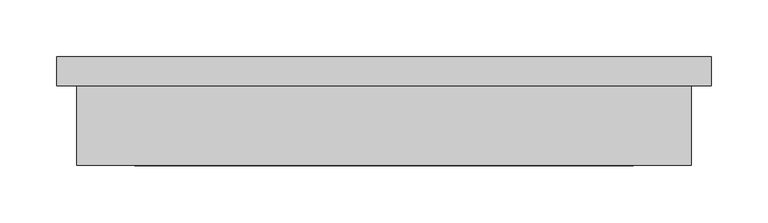
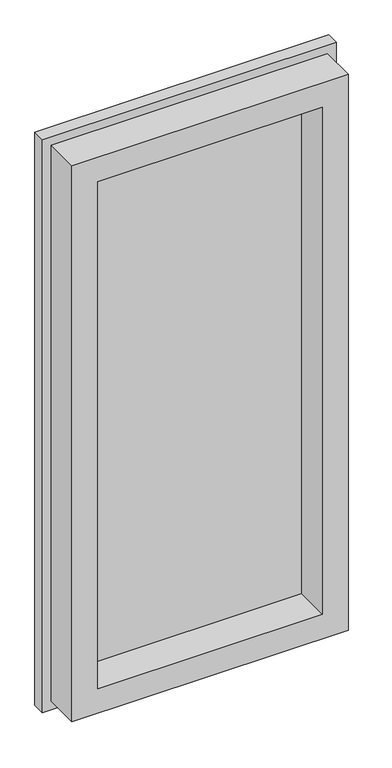
"""IFC4 building model written with IfcOpenShell, lengths in millimetres: plate geometry."""

from ifc_helpers import new_model, si_unit, frame, origin, place, context, project, spatial, polyline, outline, extrude, faceted_brep, source, transform, mapped, element, save


def plate_aad55b27(model_context):
    return source(origin(), model_context, "Body", "SolidModel", [
        faceted_brep([(-287.3375001, -44.9460938, 1169.9875), (-287.3375001, -19.5460938, 1169.9875), (-287.3375001, -19.5460938, -14.2875), (-287.3375001, -44.9460938, -14.2875), (-269.8750001, -114.8087938, 1152.525), (-269.8750001, -44.9460938, 1152.525), (-269.8750001, -44.9460938, 3.175), (-269.8750001, -114.8087938, 3.175), (-219.0940501, -44.9460937, 1101.74405), (-219.0940501, -114.8087938, 1101.74405), (-219.0940501, -114.8087938, 53.95595), (-219.0940501, -44.9460937, 53.95595), (-247.6690501, -19.5460938, 1130.31905), (-247.6690501, -44.9460937, 1130.31905), (-247.6690501, -44.9460937, 25.38095), (-247.6690501, -19.5460938, 25.38095), (287.3375001, -19.5460938, -14.2875), (287.3375001, -44.9460938, -14.2875), (269.8750001, -44.9460938, 3.175), (269.8750001, -114.8087938, 3.175), (219.0940501, -114.8087938, 53.95595), (219.0940501, -44.9460937, 53.95595), (247.6690501, -44.9460937, 25.38095), (247.6690501, -19.5460938, 25.38095), (287.3375001, -19.5460938, 1169.9875), (287.3375001, -44.9460938, 1169.9875), (269.8750001, -44.9460938, 1152.525), (269.8750001, -114.8087938, 1152.525), (219.0940501, -114.8087938, 1101.74405), (219.0940501, -44.9460937, 1101.74405), (247.6690501, -44.9460937, 1130.31905), (247.6690501, -19.5460938, 1130.31905)], [[[0, 1, 2, 3]], [[4, 5, 6, 7]], [[8, 9, 10, 11]], [[12, 13, 14, 15]], [[3, 2, 16, 17]], [[7, 6, 18, 19]], [[11, 10, 20, 21]], [[15, 14, 22, 23]], [[17, 16, 24, 25]], [[19, 18, 26, 27]], [[21, 20, 28, 29]], [[23, 22, 30, 31]], [[1, 24, 16, 2], [15, 23, 31, 12]], [[25, 24, 1, 0]], [[3, 17, 25, 0], [5, 26, 18, 6]], [[27, 26, 5, 4]], [[7, 19, 27, 4], [9, 28, 20, 10]], [[29, 28, 9, 8]], [[13, 30, 22, 14], [11, 21, 29, 8]], [[31, 30, 13, 12]]]),
        extrude(outline(polyline([(247.6690501, -19.5460937), (247.6690501, -44.9460937), (-247.6690501, -44.9460937), (-247.6690501, -19.5460937), (247.6690501, -19.5460937)])), frame((0.0, 0.0, 25.38095), z_axis=(0.0, 0.0, 1.0), x_axis=(1.0, 0.0, 0.0)), (0.0, 0.0, 1.0), 1104.9381),
    ])


if __name__ == "__main__":
    model = new_model("IFC4")
    model_context = context("Model", 3, world=origin())
    ifc_project = project(units=[si_unit("LENGTHUNIT", "METRE", prefix="MILLI")], contexts=[model_context])
    site = spatial("IfcSite", under=ifc_project)
    building = spatial("IfcBuilding", under=site)
    placement = place(None, origin())
    plate_shape = plate_aad55b27(model_context)
    element("IfcPlate", 1, at=placement, inside=building, context=model_context, shape_type="MappedRepresentation", body=[
        mapped(plate_shape, transform((0.0, 0.0, 0.0), x_axis=(1.0, 0.0, 0.0), y_axis=(0.0, 1.0, 0.0), z_axis=(0.0, 0.0, 1.0))),
    ])
    save(model, "model.ifc")
